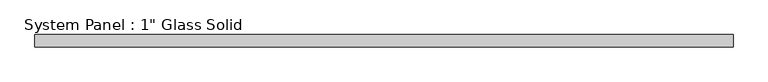
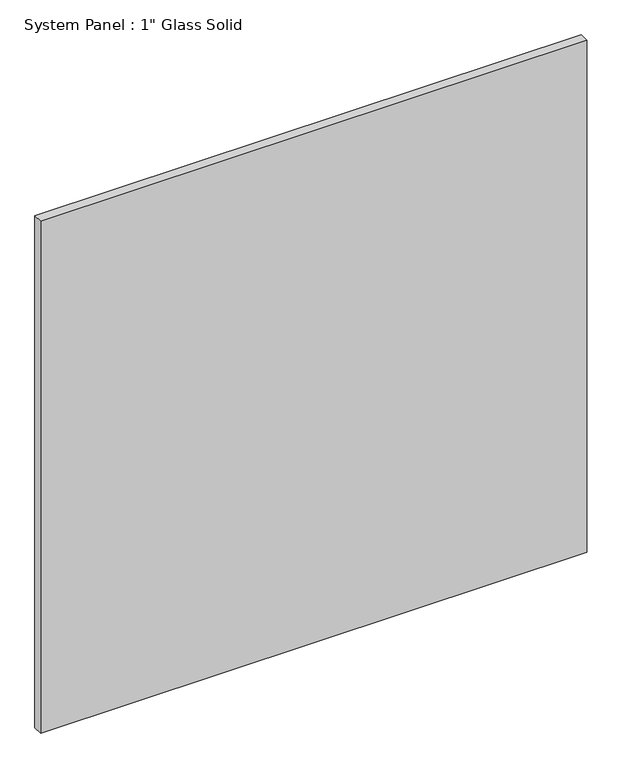
"""IFC4 building model written with IfcOpenShell, lengths in millimetres: plate geometry."""

import ifcopenshell
import ifcopenshell.guid

model = None  # the IFC model being written
_history = None  # IfcOwnerHistory: only IFC2X3 demands one
_inside = {}  # id of a spatial element -> (the spatial element, [elements in it])
_under = {}  # id of a project, library or spatial element -> (it, [spatial elements below it])
_declared = {}  # id of a project -> (the project, [libraries it declares])
_typed = {}  # id of a type object -> (the type object, [elements of that type])
_made_of = {}  # id of a material, layer set ... -> (it, [elements and type objects made of it])


def new_model(schema):
    """Start an empty IFC model of exactly this schema.

    Asked for "IFC4X3", IfcOpenShell would pick the latest addendum, in which some entities
    have other attributes; the version numbers below select the first issue.
    IFC2X3 requires an IfcOwnerHistory on every rooted entity: one is made here for all.
    """
    global model, _history
    if schema == "IFC4X3":
        model = ifcopenshell.file(schema_version=(4, 3, 0, 0))
    else:
        model = ifcopenshell.file(schema=schema)
    _inside.clear()
    _under.clear()
    _declared.clear()
    _typed.clear()
    _made_of.clear()
    _history = None
    if model.schema == "IFC2X3":
        org = make("IfcOrganization", Name="unknown")
        user = make(
            "IfcPersonAndOrganization",
            ThePerson=make("IfcPerson", FamilyName="unknown"),
            TheOrganization=org,
        )
        app = make(
            "IfcApplication",
            ApplicationDeveloper=org,
            Version="unknown",
            ApplicationFullName="unknown",
            ApplicationIdentifier="unknown",
        )
        _history = make(
            "IfcOwnerHistory",
            OwningUser=user,
            OwningApplication=app,
            ChangeAction="ADDED",
            CreationDate=0,
        )
    return model


def make(cls, **values):
    """One entity of the class cls with the attributes given. An attribute that is None is left unset."""
    return model.create_entity(
        cls, **{name: value for name, value in values.items() if value is not None}
    )


def rooted(cls, **values):
    """An entity with a GlobalId (a new one), such as an element, a storey or a relation."""
    return make(cls, GlobalId=ifcopenshell.guid.new(), OwnerHistory=_history, **values)


def si_unit(unit_type, name, prefix=None):
    """IfcSIUnit, for example si_unit("LENGTHUNIT", "METRE", prefix="MILLI")."""
    return make("IfcSIUnit", UnitType=unit_type, Prefix=prefix, Name=name)


def assignment(units):
    """IfcUnitAssignment: the units of a project."""
    return None if units is None else make("IfcUnitAssignment", Units=units)


def point(xyz):
    """IfcCartesianPoint."""
    return None if xyz is None else make("IfcCartesianPoint", Coordinates=xyz)


def direction(xyz):
    """IfcDirection."""
    return None if xyz is None else make("IfcDirection", DirectionRatios=xyz)


def frame(location, z_axis=None, x_axis=None):
    """IfcAxis2Placement3D, a coordinate frame: its origin and axes. An axis left out is left unset."""
    return make(
        "IfcAxis2Placement3D",
        Location=point(location),
        Axis=direction(z_axis),
        RefDirection=direction(x_axis),
    )


def origin():
    """The frame at (0, 0, 0) with its axes left unset."""
    return frame((0.0, 0.0, 0.0))


def origin_with_axes():
    """The frame at (0, 0, 0) with the z axis (0, 0, 1) and the x axis (1, 0, 0) written out."""
    return frame((0.0, 0.0, 0.0), z_axis=(0.0, 0.0, 1.0), x_axis=(1.0, 0.0, 0.0))


def place(relative_to, where):
    """IfcLocalPlacement: puts the frame where relative to a parent placement (None: the world)."""
    return make(
        "IfcLocalPlacement", PlacementRelTo=relative_to, RelativePlacement=where
    )


def context(
    kind, dimensions, precision=None, world=None, true_north=None, identifier=None
):
    """IfcGeometricRepresentationContext, for example the 3D "Model" context."""
    return make(
        "IfcGeometricRepresentationContext",
        ContextIdentifier=identifier,
        ContextType=kind,
        CoordinateSpaceDimension=dimensions,
        Precision=precision,
        WorldCoordinateSystem=world,
        TrueNorth=true_north,
    )


def project(units=None, contexts=None):
    """IfcProject with its units and contexts."""
    return rooted(
        "IfcProject",
        Name="project",
        RepresentationContexts=contexts,
        UnitsInContext=assignment(units),
    )


def spatial(cls, under=None, at=None, **own):
    """A site, building, storey or space (cls), placed at a placement, below another one or the project."""
    s = rooted(cls, ObjectPlacement=at, **own)
    if under is not None:
        _under.setdefault(under.id(), (under, []))[1].append(s)
    return s


def polyline(points):
    """IfcPolyline through the points."""
    return make("IfcPolyline", Points=[point(p) for p in points])


def outline(outer, holes=None, kind="AREA"):
    """IfcArbitraryClosedProfileDef: a profile drawn as a closed curve; with holes, ...WithVoids."""
    if holes is None:
        return make("IfcArbitraryClosedProfileDef", ProfileType=kind, OuterCurve=outer)
    return make(
        "IfcArbitraryProfileDefWithVoids",
        ProfileType=kind,
        OuterCurve=outer,
        InnerCurves=holes,
    )


def extrude(swept, where, along, depth):
    """IfcExtrudedAreaSolid: the profile swept, set in the frame where, extruded along a direction by depth."""
    return make(
        "IfcExtrudedAreaSolid",
        SweptArea=swept,
        Position=where,
        ExtrudedDirection=direction(along),
        Depth=depth,
    )


def shape(context_of_items, identifier, shape_type, items):
    """IfcShapeRepresentation: the items that make up one representation, for example the "Body"."""
    return make(
        "IfcShapeRepresentation",
        ContextOfItems=context_of_items,
        RepresentationIdentifier=identifier,
        RepresentationType=shape_type,
        Items=items,
    )


def source(mapping_origin, context_of_items, identifier, shape_type, items):
    """IfcRepresentationMap: a shape defined once, which mapped items show again and again."""
    return make(
        "IfcRepresentationMap",
        MappingOrigin=mapping_origin,
        MappedRepresentation=shape(context_of_items, identifier, shape_type, items),
    )


def transform(
    local_origin,
    x_axis=None,
    y_axis=None,
    z_axis=None,
    scale=None,
    scale2=None,
    scale3=None,
    uniform=True,
):
    """IfcCartesianTransformationOperator3D, or its non-uniform kind. x_axis, y_axis, z_axis: its Axis1, 2, 3."""
    if uniform:
        return make(
            "IfcCartesianTransformationOperator3D",
            Axis1=direction(x_axis),
            Axis2=direction(y_axis),
            LocalOrigin=point(local_origin),
            Scale=scale,
            Axis3=direction(z_axis),
        )
    return make(
        "IfcCartesianTransformationOperator3DnonUniform",
        Axis1=direction(x_axis),
        Axis2=direction(y_axis),
        LocalOrigin=point(local_origin),
        Scale=scale,
        Axis3=direction(z_axis),
        Scale2=scale2,
        Scale3=scale3,
    )


def mapped(mapping_source, mapping_target):
    """IfcMappedItem: shows the shape of a source again, moved by a transform."""
    return make(
        "IfcMappedItem", MappingSource=mapping_source, MappingTarget=mapping_target
    )


def made_of(thing, what):
    """Note that an element or type object is made of a material, layer set ...; save() writes the relation."""
    if what is not None:
        _made_of.setdefault(what.id(), (what, []))[1].append(thing)
    return thing


def element(
    cls,
    number,
    at=None,
    inside=None,
    cuts=None,
    type_object=None,
    material=None,
    context=None,
    identifier="Body",
    shape_type=None,
    held_by="IfcProductDefinitionShape",
    body=None,
    shapes=None,
    **own,
):
    """One element of the class cls, such as IfcWall. Its Tag is "e" and its number.

    at: its placement. inside: the storey or other place that contains it. cuts: it is an
    opening in that element (IfcRelVoidsElement). A single representation is given by context,
    identifier, shape_type and body (its items); several are given by shapes. held_by: the class
    of the entity that holds the representations. save() writes the other relations.
    """
    e = rooted(cls, Tag="e%d" % number, ObjectPlacement=at, **own)
    if body is not None:
        shapes = [shape(context, identifier, shape_type, body)]
    if shapes is not None:
        e.Representation = make(held_by, Representations=shapes)
    if inside is not None:
        _inside.setdefault(inside.id(), (inside, []))[1].append(e)
    if cuts is not None:
        rooted(
            "IfcRelVoidsElement", RelatingBuildingElement=cuts, RelatedOpeningElement=e
        )
    if type_object is not None:
        _typed.setdefault(type_object.id(), (type_object, []))[1].append(e)
    return made_of(e, material)


def aggregate(whole, parts):
    """IfcRelAggregates: a whole, such as a stair, and the parts it consists of."""
    return rooted("IfcRelAggregates", RelatingObject=whole, RelatedObjects=parts)


def save(model, path):
    """Write the relations noted so far, then the file.

    IfcRelAggregates (storeys below a building ...), IfcRelContainedInSpatialStructure (elements
    in a storey), IfcRelDefinesByType, IfcRelAssociatesMaterial and IfcRelDeclares: one each for
    every whole, place, type object, material and project.
    """
    for whole, parts in _under.values():
        aggregate(whole, parts)
    for where, things in _inside.values():
        rooted(
            "IfcRelContainedInSpatialStructure",
            RelatedElements=things,
            RelatingStructure=where,
        )
    for kind, things in _typed.values():
        rooted("IfcRelDefinesByType", RelatedObjects=things, RelatingType=kind)
    for what, things in _made_of.values():
        rooted("IfcRelAssociatesMaterial", RelatedObjects=things, RelatingMaterial=what)
    for by, libraries in _declared.values():
        rooted("IfcRelDeclares", RelatingContext=by, RelatedDefinitions=libraries)
    model.write(path)


def plate_803f0eaf(model_context):
    return source(origin(), model_context, "Body", "SweptSolid", [
        extrude(outline(polyline([(715.4342185, -12.7), (-715.4342185, -12.7), (-715.4342185, 12.7), (715.4342185, 12.7), (715.4342185, -12.7)])), origin_with_axes(), (0.0, 0.0, 1.0), 1417.3217704),
    ])


if __name__ == "__main__":
    model = new_model("IFC4")
    model_context = context("Model", 3, world=origin())
    ifc_project = project(units=[si_unit("LENGTHUNIT", "METRE", prefix="MILLI")], contexts=[model_context])
    site = spatial("IfcSite", under=ifc_project)
    building = spatial("IfcBuilding", under=site)
    placement = place(None, origin())
    plate_shape = plate_803f0eaf(model_context)
    element("IfcPlate", 1, ObjectType="System Panel : 1\" Glass Solid", at=placement, inside=building, context=model_context, shape_type="MappedRepresentation", body=[
        mapped(plate_shape, transform((0.0, 0.0, 0.0), x_axis=(1.0, 0.0, 0.0), y_axis=(0.0, 1.0, 0.0), z_axis=(0.0, 0.0, 1.0))),
    ])
    save(model, "model.ifc")
